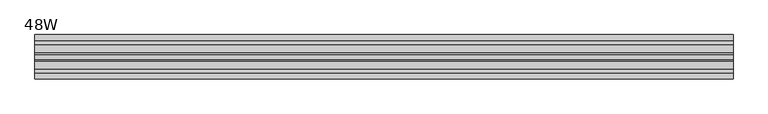
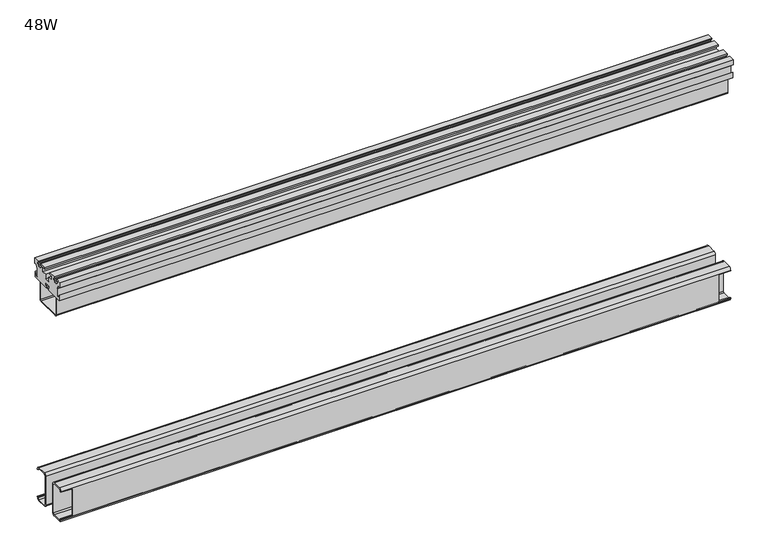
"""IFC4 building model written with IfcOpenShell, lengths in millimetres: furniture geometry, 48W."""

from ifc_helpers import new_model, si_unit, point, frame, frame_2d, origin, place, context, project, spatial, polyline, circle_curve, trimmed, segment, composite_curve, outline, extrude, source, transform, mapped, element, save
from ifc_brep_helpers import plane_surface, cylinder_surface, revolved_surface, advanced_brep


def furniture_48w_361a75bd(model_context):
    return source(origin(), model_context, "Body", "SolidModel", [
        advanced_brep(
        [(1215.771014, -27.8809276, 104.5245283), (1215.771014, -23.4832817, 100.1268008), (1215.771014, -6.4768839, 100.1268008), (1215.771014, -2.1590002, 104.4701122), (1215.771014, -2.1590002, 106.0683077), (1215.771014, -4.2670815, 106.0683077), (1215.771014, -4.2670815, 103.9352255), (1215.771014, -6.4770001, 102.2350024), (1215.771014, -24.0483936, 102.2779322), (1215.771014, -25.77171, 104.4447967), (1215.771014, -25.77171, 159.0541147), (1215.771014, -23.2907511, 161.5165623), (1215.771014, -5.7270033, 161.3874238), (1215.771014, -4.2670815, 159.1422046), (1215.771014, -4.2670815, 157.6578004), (1215.771014, -2.1590002, 157.6578004), (1215.771014, -2.1590002, 158.9956712), (1215.771014, -6.7901329, 163.6268038), (1215.771014, -23.6397265, 163.6268038), (1215.771014, -27.8799102, 159.3866988), (3.429014, -25.77171, 159.0541147), (3.429014, -25.77171, 104.4447967), (3.429014, -24.0483936, 102.2779322), (3.429014, -6.4770001, 102.2350024), (3.429014, -4.2670815, 103.9352255), (3.429014, -4.2670815, 106.0683077), (3.429014, -2.1590002, 106.0683077), (3.429014, -2.1590002, 104.4701122), (3.429014, -6.4768839, 100.1268008), (3.429014, -23.4832817, 100.1268008), (3.429014, -27.8809276, 104.5245283), (3.429014, -27.8799102, 159.3866988), (3.429014, -23.6397265, 163.6268038), (3.429014, -6.7901329, 163.6268038), (3.429014, -2.1590002, 158.9956712), (3.429014, -2.1590002, 157.6578004), (3.429014, -4.2670815, 157.6578004), (3.429014, -4.2670815, 159.1422046), (3.429014, -5.7270033, 161.3874238), (3.429014, -23.2907511, 161.5165623), (1194.1809671, -4.2670815, 106.0683077), (1194.1809671, -4.2670815, 157.6578004), (25.0190079, -4.2670815, 157.6578004), (25.0190079, -4.2670815, 106.0683077), (25.0190079, -2.1590002, 106.0683077), (25.0190079, -2.1590002, 157.6578004), (1194.1809671, -2.1590002, 157.6578004), (1194.1809671, -2.1590002, 106.0683077)],
        [
            (0, 1, circle_curve(frame((1215.771014, -23.4832817, 104.5244467), z_axis=(1.0, 0.0, 0.0), x_axis=(0.0, 1.0, 0.0)), 4.3976459)),
            (1, 2),
            (2, 3, circle_curve(frame((1215.771014, -6.4768839, 104.4447589), z_axis=(1.0, 0.0, 0.0), x_axis=(0.0, 1.0, 0.0)), 4.3179581)),
            (3, 4),
            (4, 5),
            (5, 6),
            (6, 7),
            (7, 8),
            (8, 9),
            (9, 10),
            (10, 11, circle_curve(frame((1215.771014, -23.3091933, 159.0541147), z_axis=(-1.0, 0.0, 0.0), x_axis=(0.0, 1.0, 0.0)), 2.4625166)),
            (11, 12),
            (12, 13),
            (13, 14),
            (14, 15),
            (15, 16),
            (16, 17, circle_curve(frame((1215.771014, -6.7901329, 158.9956712), z_axis=(1.0, 0.0, 0.0), x_axis=(0.0, 1.0, 0.0)), 4.6311327)),
            (17, 18),
            (18, 19, circle_curve(frame((1215.771014, -23.6397265, 159.3866201), z_axis=(1.0, 0.0, 0.0), x_axis=(0.0, 1.0, 0.0)), 4.2401837)),
            (19, 0),
            (20, 21),
            (21, 22),
            (22, 23),
            (23, 24),
            (24, 25),
            (25, 26),
            (26, 27),
            (27, 28, circle_curve(frame((3.429014, -6.4768839, 104.4447589), z_axis=(-1.0, 0.0, 0.0), x_axis=(0.0, 1.0, 0.0)), 4.3179581)),
            (28, 29),
            (29, 30, circle_curve(frame((3.429014, -23.4832817, 104.5244467), z_axis=(-1.0, 0.0, 0.0), x_axis=(0.0, 1.0, 0.0)), 4.3976459)),
            (30, 31),
            (31, 32, circle_curve(frame((3.429014, -23.6397265, 159.3866201), z_axis=(-1.0, 0.0, 0.0), x_axis=(0.0, 1.0, 0.0)), 4.2401837)),
            (32, 33),
            (33, 34, circle_curve(frame((3.429014, -6.7901329, 158.9956712), z_axis=(-1.0, 0.0, 0.0), x_axis=(0.0, 1.0, 0.0)), 4.6311327)),
            (34, 35),
            (35, 36),
            (36, 37),
            (37, 38),
            (38, 39),
            (39, 20, circle_curve(frame((3.429014, -23.3091933, 159.0541147), z_axis=(1.0, 0.0, 0.0), x_axis=(0.0, 1.0, 0.0)), 2.4625166)),
            (0, 30),
            (29, 1),
            (28, 2),
            (27, 3),
            (6, 24),
            (23, 7),
            (22, 8),
            (21, 9),
            (20, 10),
            (39, 11),
            (38, 12),
            (37, 13),
            (5, 40),
            (40, 41),
            (41, 14),
            (36, 42),
            (42, 43),
            (43, 25),
            (26, 44),
            (44, 45),
            (45, 35),
            (34, 16),
            (15, 46),
            (46, 47),
            (47, 4),
            (33, 17),
            (32, 18),
            (31, 19),
            (42, 45),
            (44, 43),
            (40, 47),
            (46, 41),
        ],
        [
            plane_surface(frame((1215.771014, -19.0856357, 104.5244467), z_axis=(1.0, 0.0, 0.0), x_axis=(0.0, 0.0, 1.0))),
            plane_surface(frame((3.429014, -19.0856357, 104.5244467), z_axis=(-1.0, 0.0, 0.0), x_axis=(0.0, 0.0, -1.0))),
            cylinder_surface(frame((3.429014, -23.4832817, 104.5244467), z_axis=(1.0, 0.0, 0.0), x_axis=(0.0, 1.0, 0.0)), 4.3976459),
            plane_surface(frame((1215.771014, -23.4832817, 100.1268008), z_axis=(0.0, 0.0, -1.0), x_axis=(-1.0, 0.0, 0.0))),
            cylinder_surface(frame((3.429014, -6.4768839, 104.4447589), z_axis=(1.0, 0.0, 0.0), x_axis=(0.0, 1.0, 0.0)), 4.3179581),
            plane_surface(frame((1215.771014, -4.2670815, 103.9352255), z_axis=(0.0, -0.6097751311358175, 0.7925744693391887), x_axis=(-1.0, 0.0, 0.0))),
            plane_surface(frame((1215.771014, -6.4770001, 102.2350024), z_axis=(0.0, 0.002443156500791605, 0.9999970154887027), x_axis=(-1.0, 0.0, 0.0))),
            plane_surface(frame((1215.771014, -24.0483936, 102.2779322), z_axis=(0.0, 0.7826583774473511, 0.6224514954689078), x_axis=(-1.0, 0.0, 0.0))),
            plane_surface(frame((1215.771014, -25.77171, 104.4447967), z_axis=(0.0, 1.0, 0.0), x_axis=(-1.0, 0.0, 0.0))),
            revolved_surface(polyline([(3.429014, -20.8466767, 159.0541147), (1215.771014, -20.8466767, 159.0541147)]), (0.0, -23.3091933, 159.0541147), (-1.0, 0.0, 0.0)),
            plane_surface(frame((1215.771014, -23.2907511, 161.5165623), z_axis=(0.0, -0.007352360310029851, -0.9999729710336532), x_axis=(-1.0, 0.0, 0.0))),
            plane_surface(frame((1215.771014, -5.7270033, 161.3874238), z_axis=(0.0, -0.8383532943011937, -0.5451272823243543), x_axis=(-1.0, 0.0, 0.0))),
            plane_surface(frame((1215.771014, -4.2670815, 159.1422046), z_axis=(0.0, -1.0, 0.0), x_axis=(-1.0, 0.0, 0.0))),
            plane_surface(frame((1215.771014, -2.1590002, 104.4701122), z_axis=(0.0, 1.0, 0.0), x_axis=(-1.0, 0.0, 0.0))),
            cylinder_surface(frame((3.429014, -6.7901329, 158.9956712), z_axis=(1.0, 0.0, 0.0), x_axis=(0.0, 1.0, 0.0)), 4.6311327),
            plane_surface(frame((1215.771014, -6.7901329, 163.6268038), z_axis=(0.0, 0.0, 1.0), x_axis=(-1.0, 0.0, 0.0))),
            cylinder_surface(frame((3.429014, -23.6397265, 159.3866201), z_axis=(1.0, 0.0, 0.0), x_axis=(0.0, 1.0, 0.0)), 4.2401837),
            plane_surface(frame((1215.771014, -27.8799102, 159.3866988), z_axis=(0.0, -0.9999999998280449, 1.8544818383297037e-05), x_axis=(-1.0, 0.0, 0.0))),
            plane_surface(frame((25.0190079, 0.9985523, 157.6578004), z_axis=(-1.0, 0.0, 0.0), x_axis=(0.0, -1.0, 0.0))),
            plane_surface(frame((1.52399, 0.9985523, 157.6578004), z_axis=(0.0, 0.0, -1.0), x_axis=(0.0, -1.0, 0.0))),
            plane_surface(frame((25.0190079, 0.9985523, 106.0683077), z_axis=(0.0, 0.0, 1.0), x_axis=(0.0, -1.0, 0.0))),
            plane_surface(frame((1194.1809671, 1.7160013, 106.0683077), z_axis=(1.0, 0.0, 0.0), x_axis=(0.0, -1.0, 0.0))),
            plane_surface(frame((1194.1809671, 1.7160013, 157.6578004), z_axis=(0.0, 0.0, -1.0), x_axis=(0.0, -1.0, 0.0))),
            plane_surface(frame((1217.675985, 1.7160013, 106.0683077), z_axis=(0.0, 0.0, 1.0), x_axis=(0.0, -1.0, 0.0))),
        ],
        [
            (0, [[1, 2, 3, 4, 5, 6, 7, 8, 9, 10, 11, 12, 13, 14, 15, 16, 17, 18, 19, 20]]),
            (1, [[21, 22, 23, 24, 25, 26, 27, 28, 29, 30, 31, 32, 33, 34, 35, 36, 37, 38, 39, 40]]),
            (2, [[-1, 41, -30, 42]]),
            (3, [[-2, -42, -29, 43]]),
            (4, [[-3, -43, -28, 44]]),
            (5, [[-7, 45, -24, 46]]),
            (6, [[-8, -46, -23, 47]]),
            (7, [[-9, -47, -22, 48]]),
            (8, [[-10, -48, -21, 49]]),
            (9, [[-11, -49, -40, 50]]),
            (10, [[-12, -50, -39, 51]]),
            (11, [[-13, -51, -38, 52]]),
            (12, [[-45, -6, 53, 54, 55, -14, -52, -37, 56, 57, 58, -25]]),
            (13, [[-44, -27, 59, 60, 61, -35, 62, -16, 63, 64, 65, -4]]),
            (14, [[-17, -62, -34, 66]]),
            (15, [[-18, -66, -33, 67]]),
            (16, [[-19, -67, -32, 68]]),
            (17, [[-20, -68, -31, -41]]),
            (18, [[69, -60, 70, -57]]),
            (19, [[-69, -56, -36, -61]]),
            (20, [[-70, -59, -26, -58]]),
            (21, [[71, -64, 72, -54]]),
            (22, [[-72, -63, -15, -55]]),
            (23, [[-71, -53, -5, -65]]),
        ],
    ),
        advanced_brep(
        [(1215.771014, -50.2308925, 104.5245283), (1215.771014, -50.2319099, 159.3866988), (1215.771014, -54.4720936, 163.6268038), (1215.771014, -71.0007766, 163.6268038), (1215.771014, -75.6319092, 158.9956712), (1215.771014, -75.6319092, 157.6578004), (1215.771014, -73.5238279, 157.6578004), (1215.771014, -73.5238279, 159.1422046), (1215.771014, -72.0639062, 161.3874238), (1215.771014, -54.821069, 161.5165623), (1215.771014, -52.3401101, 159.0541147), (1215.771014, -52.3401101, 104.4447967), (1215.771014, -54.0634265, 102.2779322), (1215.771014, -71.3139094, 102.2350024), (1215.771014, -73.5238279, 103.9352255), (1215.771014, -73.5238279, 106.0683077), (1215.771014, -75.6319092, 106.0683077), (1215.771014, -75.6319092, 104.4701122), (1215.771014, -71.3140255, 100.1268008), (1215.771014, -54.6285384, 100.1268008), (3.429014, -52.3401101, 159.0541147), (3.429014, -54.821069, 161.5165623), (3.429014, -72.0639062, 161.3874238), (3.429014, -73.5238279, 159.1422046), (3.429014, -73.5238279, 157.6578004), (3.429014, -75.6319092, 157.6578004), (3.429014, -75.6319092, 158.9956712), (3.429014, -71.0007766, 163.6268038), (3.429014, -54.4720936, 163.6268038), (3.429014, -50.2319099, 159.3866988), (3.429014, -50.2308925, 104.5245283), (3.429014, -54.6285384, 100.1268008), (3.429014, -71.3140255, 100.1268008), (3.429014, -75.6319092, 104.4701122), (3.429014, -75.6319092, 106.0683077), (3.429014, -73.5238279, 106.0683077), (3.429014, -73.5238279, 103.9352255), (3.429014, -71.3139094, 102.2350024), (3.429014, -54.0634265, 102.2779322), (3.429014, -52.3401101, 104.4447967), (25.0190079, -75.6319092, 157.6578004), (25.0190079, -75.6319092, 106.0683077), (1194.1809671, -75.6319092, 106.0683077), (1194.1809671, -75.6319092, 157.6578004), (25.0190079, -73.5238279, 106.0683077), (25.0190079, -73.5238279, 157.6578004), (1194.1809671, -73.5238279, 157.6578004), (1194.1809671, -73.5238279, 106.0683077)],
        [
            (0, 1),
            (1, 2, circle_curve(frame((1215.771014, -54.4720936, 159.3866201), z_axis=(1.0, 0.0, 0.0), x_axis=(0.0, 1.0, 0.0)), 4.2401837)),
            (2, 3),
            (3, 4, circle_curve(frame((1215.771014, -71.0007766, 158.9956712), z_axis=(1.0, 0.0, 0.0), x_axis=(0.0, 1.0, 0.0)), 4.6311327)),
            (4, 5),
            (5, 6),
            (6, 7),
            (7, 8),
            (8, 9),
            (9, 10, circle_curve(frame((1215.771014, -54.8026267, 159.0541147), z_axis=(-1.0, 0.0, 0.0), x_axis=(0.0, 1.0, 0.0)), 2.4625166)),
            (10, 11),
            (11, 12),
            (12, 13),
            (13, 14),
            (14, 15),
            (15, 16),
            (16, 17),
            (17, 18, circle_curve(frame((1215.771014, -71.3140255, 104.4447589), z_axis=(1.0, 0.0, 0.0), x_axis=(0.0, 1.0, 0.0)), 4.3179581)),
            (18, 19),
            (19, 0, circle_curve(frame((1215.771014, -54.6285384, 104.5244467), z_axis=(1.0, 0.0, 0.0), x_axis=(0.0, 1.0, 0.0)), 4.3976459)),
            (20, 21, circle_curve(frame((3.429014, -54.8026267, 159.0541147), z_axis=(1.0, 0.0, 0.0), x_axis=(0.0, 1.0, 0.0)), 2.4625166)),
            (21, 22),
            (22, 23),
            (23, 24),
            (24, 25),
            (25, 26),
            (26, 27, circle_curve(frame((3.429014, -71.0007766, 158.9956712), z_axis=(-1.0, 0.0, 0.0), x_axis=(0.0, 1.0, 0.0)), 4.6311327)),
            (27, 28),
            (28, 29, circle_curve(frame((3.429014, -54.4720936, 159.3866201), z_axis=(-1.0, 0.0, 0.0), x_axis=(0.0, 1.0, 0.0)), 4.2401837)),
            (29, 30),
            (30, 31, circle_curve(frame((3.429014, -54.6285384, 104.5244467), z_axis=(-1.0, 0.0, 0.0), x_axis=(0.0, 1.0, 0.0)), 4.3976459)),
            (31, 32),
            (32, 33, circle_curve(frame((3.429014, -71.3140255, 104.4447589), z_axis=(-1.0, 0.0, 0.0), x_axis=(0.0, 1.0, 0.0)), 4.3179581)),
            (33, 34),
            (34, 35),
            (35, 36),
            (36, 37),
            (37, 38),
            (38, 39),
            (39, 20),
            (0, 30),
            (29, 1),
            (28, 2),
            (27, 3),
            (26, 4),
            (25, 40),
            (40, 41),
            (41, 34),
            (33, 17),
            (16, 42),
            (42, 43),
            (43, 5),
            (14, 36),
            (35, 44),
            (44, 45),
            (45, 24),
            (23, 7),
            (6, 46),
            (46, 47),
            (47, 15),
            (22, 8),
            (21, 9),
            (20, 10),
            (39, 11),
            (38, 12),
            (37, 13),
            (32, 18),
            (31, 19),
            (44, 41),
            (40, 45),
            (46, 43),
            (42, 47),
        ],
        [
            plane_surface(frame((1215.771014, -19.0856357, 104.5244467), z_axis=(1.0, 0.0, 0.0), x_axis=(0.0, 0.0, 1.0))),
            plane_surface(frame((3.429014, -19.0856357, 104.5244467), z_axis=(-1.0, 0.0, 0.0), x_axis=(0.0, 0.0, -1.0))),
            plane_surface(frame((1215.771014, -50.2308925, 104.5245283), z_axis=(0.0, 0.9999999998280449, 1.8544818383528328e-05), x_axis=(-1.0, 0.0, 0.0))),
            cylinder_surface(frame((0.0, -54.4720936, 159.3866201), z_axis=(1.0, 0.0, 0.0), x_axis=(0.0, 1.0, 0.0)), 4.2401837),
            plane_surface(frame((1215.771014, -54.4720936, 163.6268038), z_axis=(0.0, 0.0, 1.0), x_axis=(-1.0, 0.0, 0.0))),
            cylinder_surface(frame((0.0, -71.0007766, 158.9956712), z_axis=(1.0, 0.0, 0.0), x_axis=(0.0, 1.0, 0.0)), 4.6311327),
            plane_surface(frame((1215.771014, -75.6319092, 158.9956712), z_axis=(0.0, -1.0, 0.0), x_axis=(-1.0, 0.0, 0.0))),
            plane_surface(frame((1215.771014, -73.5238279, 103.9352255), z_axis=(0.0, 1.0, 0.0), x_axis=(-1.0, 0.0, 0.0))),
            plane_surface(frame((1215.771014, -73.5238279, 159.1422046), z_axis=(0.0, 0.8383532943007096, -0.5451272823250989), x_axis=(-1.0, 0.0, 0.0))),
            plane_surface(frame((1215.771014, -72.0639062, 161.3874238), z_axis=(0.0, 0.007489189274746193, -0.9999719556287602), x_axis=(-1.0, 0.0, 0.0))),
            revolved_surface(polyline([(3.429014, -52.3401101, 159.0541147), (1215.771014, -52.3401101, 159.0541147)]), (0.0, -54.8026267, 159.0541147), (-1.0, 0.0, 0.0)),
            plane_surface(frame((1215.771014, -52.3401101, 159.0541147), z_axis=(0.0, -1.0, 0.0), x_axis=(-1.0, 0.0, 0.0))),
            plane_surface(frame((1215.771014, -52.3401101, 104.4447967), z_axis=(0.0, -0.7826583774473481, 0.6224514954689115), x_axis=(-1.0, 0.0, 0.0))),
            plane_surface(frame((1215.771014, -54.0634265, 102.2779322), z_axis=(0.0, -0.0024886062497596856, 0.9999969034146724), x_axis=(-1.0, 0.0, 0.0))),
            plane_surface(frame((1215.771014, -71.3139094, 102.2350024), z_axis=(0.0, 0.6097751311358169, 0.7925744693391892), x_axis=(-1.0, 0.0, 0.0))),
            cylinder_surface(frame((0.0, -71.3140255, 104.4447589), z_axis=(1.0, 0.0, 0.0), x_axis=(0.0, 1.0, 0.0)), 4.3179581),
            plane_surface(frame((1215.771014, -71.3140255, 100.1268008), z_axis=(0.0, 0.0, -1.0), x_axis=(-1.0, 0.0, 0.0))),
            cylinder_surface(frame((0.0, -54.6285384, 104.5244467), z_axis=(1.0, 0.0, 0.0), x_axis=(0.0, 1.0, 0.0)), 4.3976459),
            plane_surface(frame((25.0190079, -78.540543, 106.0683077), z_axis=(-1.0, 0.0, 0.0), x_axis=(0.0, 1.0, 0.0))),
            plane_surface(frame((25.0190079, -78.540543, 157.6578004), z_axis=(0.0, 0.0, -1.0), x_axis=(0.0, 1.0, 0.0))),
            plane_surface(frame((1.52399, -78.540543, 106.0683077), z_axis=(0.0, 0.0, 1.0), x_axis=(0.0, 1.0, 0.0))),
            plane_surface(frame((1194.1809671, -78.540543, 157.6578004), z_axis=(1.0, 0.0, 0.0), x_axis=(0.0, 1.0, 0.0))),
            plane_surface(frame((1217.675985, -78.540543, 157.6578004), z_axis=(0.0, 0.0, -1.0), x_axis=(0.0, 1.0, 0.0))),
            plane_surface(frame((1194.1809671, -78.540543, 106.0683077), z_axis=(0.0, 0.0, 1.0), x_axis=(0.0, 1.0, 0.0))),
        ],
        [
            (0, [[1, 2, 3, 4, 5, 6, 7, 8, 9, 10, 11, 12, 13, 14, 15, 16, 17, 18, 19, 20]]),
            (1, [[21, 22, 23, 24, 25, 26, 27, 28, 29, 30, 31, 32, 33, 34, 35, 36, 37, 38, 39, 40]]),
            (2, [[-1, 41, -30, 42]]),
            (3, [[-2, -42, -29, 43]]),
            (4, [[-3, -43, -28, 44]]),
            (5, [[-4, -44, -27, 45]]),
            (6, [[-45, -26, 46, 47, 48, -34, 49, -17, 50, 51, 52, -5]]),
            (7, [[53, -36, 54, 55, 56, -24, 57, -7, 58, 59, 60, -15]]),
            (8, [[-8, -57, -23, 61]]),
            (9, [[-9, -61, -22, 62]]),
            (10, [[-10, -62, -21, 63]]),
            (11, [[-11, -63, -40, 64]]),
            (12, [[-12, -64, -39, 65]]),
            (13, [[-13, -65, -38, 66]]),
            (14, [[-14, -66, -37, -53]]),
            (15, [[-18, -49, -33, 67]]),
            (16, [[-19, -67, -32, 68]]),
            (17, [[-20, -68, -31, -41]]),
            (18, [[69, -47, 70, -55]]),
            (19, [[-70, -46, -25, -56]]),
            (20, [[-69, -54, -35, -48]]),
            (21, [[71, -51, 72, -59]]),
            (22, [[-71, -58, -6, -52]]),
            (23, [[-72, -50, -16, -60]]),
        ],
    ),
        extrude(outline(composite_curve([segment(polyline([(-60.5739048, 526.3388031), (-17.1450111, 526.3388031)]), True, "CONTINUOUS"), segment(trimmed(circle_curve(frame_2d((-17.1450111, 522.5288031)), 3.81), [point((-17.1450111, 526.3388031))], [point((-13.3350217, 522.5198041))], False, "CARTESIAN"), True, "CONTINUOUS"), segment(polyline([(-13.3350217, 522.5198041), (-13.4070141, 492.0398041)]), True, "CONTINUOUS"), segment(trimmed(circle_curve(frame_2d((-17.2170034, 492.0488031)), 3.81), [point((-13.4070141, 492.0398041))], [point((-17.2170034, 488.2388031))], False, "CARTESIAN"), True, "CONTINUOUS"), segment(polyline([(-17.2170034, 488.2388031), (-60.6458979, 488.2388031)]), True, "CONTINUOUS"), segment(trimmed(circle_curve(frame_2d((-60.6458979, 492.0488031)), 3.81), [point((-60.6458979, 488.2388031))], [point((-64.4558873, 492.0578022))], False, "CARTESIAN"), True, "CONTINUOUS"), segment(polyline([(-64.4558873, 492.0578022), (-64.3838942, 522.5378022)]), True, "CONTINUOUS"), segment(trimmed(circle_curve(frame_2d((-60.5739048, 522.5288031)), 3.81), [point((-64.3838942, 522.5378022))], [point((-60.5739048, 526.3388031))], False, "CARTESIAN"), True, "CONTINUOUS")], self_intersect=False), holes=[composite_curve([segment(polyline([(-17.1450111, 524.3068031), (-60.5739048, 524.3068031)]), True, "CONTINUOUS"), segment(trimmed(circle_curve(frame_2d((-60.5739048, 522.5288031)), 1.778), [point((-60.5739048, 524.3068031))], [point((-62.3518998, 522.5330027))], True, "CARTESIAN"), True, "CONTINUOUS"), segment(polyline([(-62.3518998, 522.5330027), (-62.423893, 492.0530027)]), True, "CONTINUOUS"), segment(trimmed(circle_curve(frame_2d((-60.6458979, 492.0488031)), 1.778), [point((-62.423893, 492.0530027))], [point((-60.6458979, 490.2708031))], True, "CARTESIAN"), True, "CONTINUOUS"), segment(polyline([(-60.6458979, 490.2708031), (-17.2170034, 490.2708031)]), True, "CONTINUOUS"), segment(trimmed(circle_curve(frame_2d((-17.2170034, 492.0488031)), 1.778), [point((-17.2170034, 490.2708031))], [point((-15.4390084, 492.0446036))], True, "CARTESIAN"), True, "CONTINUOUS"), segment(polyline([(-15.4390084, 492.0446036), (-15.367016, 522.5246036)]), True, "CONTINUOUS"), segment(trimmed(circle_curve(frame_2d((-17.1450111, 522.5288031)), 1.778), [point((-15.367016, 522.5246036))], [point((-17.1450111, 524.3068031))], True, "CARTESIAN"), True, "CONTINUOUS")], self_intersect=False)]), frame((1.52399, 0.0, 0.0), z_axis=(1.0, 0.0, 0.0), x_axis=(0.0, 1.0, 0.0)), (0.0, 0.0, 1.0), 1216.1519949),
        extrude(outline(polyline([(-18.1517104, 559.688984), (-21.1489112, 559.688984), (-21.1489112, 554.8630068), (-18.1517104, 554.8630068), (-18.1517104, 551.8150097), (-10.1761106, 551.8150097), (-10.1761106, 554.8630068), (-7.1789109, 554.8630068), (-7.1789109, 559.688984), (-10.1761106, 559.688984), (-10.1761106, 561.975), (0.0, 561.975), (0.0, 552.1959821), (-3.8100001, 552.1959821), (-7.6200001, 545.5968936), (-7.6200001, 530.6568172), (-4.9465986, 530.6568172), (-1.3969999, 536.8048755), (-1.3969999, 526.3388031), (-34.9284117, 526.3388031), (-34.9284117, 529.3868002), (-32.4519095, 529.3868002), (-32.4519095, 535.2288128), (-45.6599128, 535.2288128), (-45.6599128, 529.3868002), (-43.1834106, 529.3868002), (-43.1834106, 526.3388031), (-76.3939095, 526.3388031), (-76.3939095, 536.8048755), (-72.8443108, 530.6568172), (-70.1709093, 530.6568172), (-70.1709093, 545.5968936), (-73.9809094, 552.1959821), (-77.7909094, 552.1959821), (-77.7909094, 561.975), (-67.9357095, 561.975), (-67.9357095, 559.688984), (-70.9329092, 559.688984), (-70.9329092, 554.8630068), (-67.9357095, 554.8630068), (-67.9357095, 551.8150097), (-59.9601096, 551.8150097), (-59.9601096, 554.8630068), (-56.9629089, 554.8630068), (-56.9629089, 559.688984), (-59.9601096, 559.688984), (-59.9601096, 561.975), (-46.6759096, 561.975), (-46.6759096, 558.9270029), (-53.1529102, 558.9270029), (-53.1529102, 551.0529922), (-43.81841, 551.0529922), (-43.81841, 543.1790179), (-34.29341, 543.1790179), (-34.29341, 551.0529922), (-24.9589099, 551.0529922), (-24.9589099, 558.9270029), (-31.4359105, 558.9270029), (-31.4359105, 561.975), (-18.1517104, 561.975), (-18.1517104, 559.688984)])), frame((0.0, 0.0, 0.0), z_axis=(1.0, 0.0, 0.0), x_axis=(0.0, 1.0, 0.0)), (0.0, 0.0, 1.0), 1219.2),
    ])


if __name__ == "__main__":
    model = new_model("IFC4")
    model_context = context("Model", 3, world=origin())
    ifc_project = project(units=[si_unit("LENGTHUNIT", "METRE", prefix="MILLI")], contexts=[model_context])
    site = spatial("IfcSite", under=ifc_project)
    building = spatial("IfcBuilding", under=site)
    placement = place(None, origin())
    furniture_48w_shape = furniture_48w_361a75bd(model_context)
    element("IfcFurniture", 1, ObjectType="48W", at=placement, inside=building, context=model_context, shape_type="MappedRepresentation", body=[
        mapped(furniture_48w_shape, transform((0.0, 0.0, 0.0), x_axis=(1.0, 0.0, 0.0), y_axis=(0.0, 1.0, 0.0), z_axis=(0.0, 0.0, 1.0))),
    ])
    save(model, "model.ifc")
